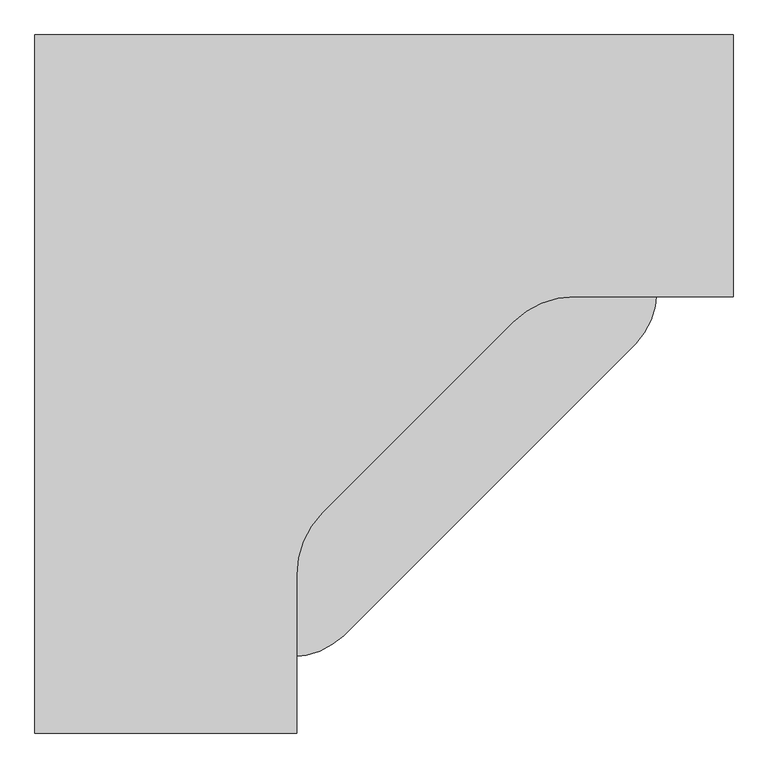
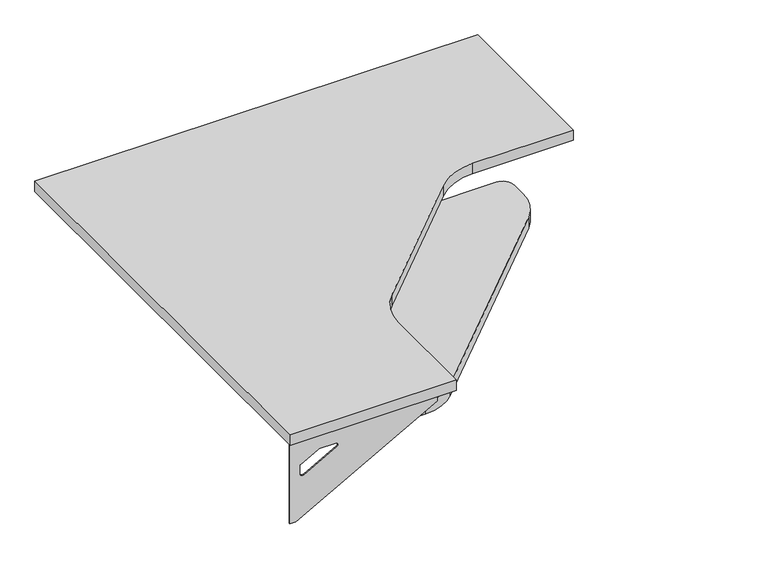
"""IFC4 building model written with IfcOpenShell, lengths in millimetres: furniture geometry."""

import ifcopenshell
import ifcopenshell.guid

model = None  # the IFC model being written
_history = None  # IfcOwnerHistory: only IFC2X3 demands one
_inside = {}  # id of a spatial element -> (the spatial element, [elements in it])
_under = {}  # id of a project, library or spatial element -> (it, [spatial elements below it])
_declared = {}  # id of a project -> (the project, [libraries it declares])
_typed = {}  # id of a type object -> (the type object, [elements of that type])
_made_of = {}  # id of a material, layer set ... -> (it, [elements and type objects made of it])


def new_model(schema):
    """Start an empty IFC model of exactly this schema.

    Asked for "IFC4X3", IfcOpenShell would pick the latest addendum, in which some entities
    have other attributes; the version numbers below select the first issue.
    IFC2X3 requires an IfcOwnerHistory on every rooted entity: one is made here for all.
    """
    global model, _history
    if schema == "IFC4X3":
        model = ifcopenshell.file(schema_version=(4, 3, 0, 0))
    else:
        model = ifcopenshell.file(schema=schema)
    _inside.clear()
    _under.clear()
    _declared.clear()
    _typed.clear()
    _made_of.clear()
    _history = None
    if model.schema == "IFC2X3":
        org = make("IfcOrganization", Name="unknown")
        user = make(
            "IfcPersonAndOrganization",
            ThePerson=make("IfcPerson", FamilyName="unknown"),
            TheOrganization=org,
        )
        app = make(
            "IfcApplication",
            ApplicationDeveloper=org,
            Version="unknown",
            ApplicationFullName="unknown",
            ApplicationIdentifier="unknown",
        )
        _history = make(
            "IfcOwnerHistory",
            OwningUser=user,
            OwningApplication=app,
            ChangeAction="ADDED",
            CreationDate=0,
        )
    return model


def make(cls, **values):
    """One entity of the class cls with the attributes given. An attribute that is None is left unset."""
    return model.create_entity(
        cls, **{name: value for name, value in values.items() if value is not None}
    )


def rooted(cls, **values):
    """An entity with a GlobalId (a new one), such as an element, a storey or a relation."""
    return make(cls, GlobalId=ifcopenshell.guid.new(), OwnerHistory=_history, **values)


def si_unit(unit_type, name, prefix=None):
    """IfcSIUnit, for example si_unit("LENGTHUNIT", "METRE", prefix="MILLI")."""
    return make("IfcSIUnit", UnitType=unit_type, Prefix=prefix, Name=name)


def assignment(units):
    """IfcUnitAssignment: the units of a project."""
    return None if units is None else make("IfcUnitAssignment", Units=units)


def point(xyz):
    """IfcCartesianPoint."""
    return None if xyz is None else make("IfcCartesianPoint", Coordinates=xyz)


def direction(xyz):
    """IfcDirection."""
    return None if xyz is None else make("IfcDirection", DirectionRatios=xyz)


def frame(location, z_axis=None, x_axis=None):
    """IfcAxis2Placement3D, a coordinate frame: its origin and axes. An axis left out is left unset."""
    return make(
        "IfcAxis2Placement3D",
        Location=point(location),
        Axis=direction(z_axis),
        RefDirection=direction(x_axis),
    )


def frame_2d(location, x_axis=None):
    """IfcAxis2Placement2D, a coordinate frame in the plane: its origin and x axis."""
    return make(
        "IfcAxis2Placement2D", Location=point(location), RefDirection=direction(x_axis)
    )


def origin():
    """The frame at (0, 0, 0) with its axes left unset."""
    return frame((0.0, 0.0, 0.0))


def place(relative_to, where):
    """IfcLocalPlacement: puts the frame where relative to a parent placement (None: the world)."""
    return make(
        "IfcLocalPlacement", PlacementRelTo=relative_to, RelativePlacement=where
    )


def context(
    kind, dimensions, precision=None, world=None, true_north=None, identifier=None
):
    """IfcGeometricRepresentationContext, for example the 3D "Model" context."""
    return make(
        "IfcGeometricRepresentationContext",
        ContextIdentifier=identifier,
        ContextType=kind,
        CoordinateSpaceDimension=dimensions,
        Precision=precision,
        WorldCoordinateSystem=world,
        TrueNorth=true_north,
    )


def project(units=None, contexts=None):
    """IfcProject with its units and contexts."""
    return rooted(
        "IfcProject",
        Name="project",
        RepresentationContexts=contexts,
        UnitsInContext=assignment(units),
    )


def spatial(cls, under=None, at=None, **own):
    """A site, building, storey or space (cls), placed at a placement, below another one or the project."""
    s = rooted(cls, ObjectPlacement=at, **own)
    if under is not None:
        _under.setdefault(under.id(), (under, []))[1].append(s)
    return s


def polyline(points):
    """IfcPolyline through the points."""
    return make("IfcPolyline", Points=[point(p) for p in points])


def circle_curve(where, radius):
    """IfcCircle in the frame where."""
    return make("IfcCircle", Position=where, Radius=radius)


def trimmed(basis, trim1, trim2, sense, master):
    """IfcTrimmedCurve: the piece of a basis curve between two trims."""
    return make(
        "IfcTrimmedCurve",
        BasisCurve=basis,
        Trim1=trim1,
        Trim2=trim2,
        SenseAgreement=sense,
        MasterRepresentation=master,
    )


def segment(curve, same_sense, transition):
    """IfcCompositeCurveSegment."""
    return make(
        "IfcCompositeCurveSegment",
        Transition=transition,
        SameSense=same_sense,
        ParentCurve=curve,
    )


def composite_curve(segments, self_intersect=None):
    """IfcCompositeCurve: segments joined end to end."""
    return make("IfcCompositeCurve", Segments=segments, SelfIntersect=self_intersect)


def outline(outer, holes=None, kind="AREA"):
    """IfcArbitraryClosedProfileDef: a profile drawn as a closed curve; with holes, ...WithVoids."""
    if holes is None:
        return make("IfcArbitraryClosedProfileDef", ProfileType=kind, OuterCurve=outer)
    return make(
        "IfcArbitraryProfileDefWithVoids",
        ProfileType=kind,
        OuterCurve=outer,
        InnerCurves=holes,
    )


def extrude(swept, where, along, depth):
    """IfcExtrudedAreaSolid: the profile swept, set in the frame where, extruded along a direction by depth."""
    return make(
        "IfcExtrudedAreaSolid",
        SweptArea=swept,
        Position=where,
        ExtrudedDirection=direction(along),
        Depth=depth,
    )


def shape(context_of_items, identifier, shape_type, items):
    """IfcShapeRepresentation: the items that make up one representation, for example the "Body"."""
    return make(
        "IfcShapeRepresentation",
        ContextOfItems=context_of_items,
        RepresentationIdentifier=identifier,
        RepresentationType=shape_type,
        Items=items,
    )


def source(mapping_origin, context_of_items, identifier, shape_type, items):
    """IfcRepresentationMap: a shape defined once, which mapped items show again and again."""
    return make(
        "IfcRepresentationMap",
        MappingOrigin=mapping_origin,
        MappedRepresentation=shape(context_of_items, identifier, shape_type, items),
    )


def transform(
    local_origin,
    x_axis=None,
    y_axis=None,
    z_axis=None,
    scale=None,
    scale2=None,
    scale3=None,
    uniform=True,
):
    """IfcCartesianTransformationOperator3D, or its non-uniform kind. x_axis, y_axis, z_axis: its Axis1, 2, 3."""
    if uniform:
        return make(
            "IfcCartesianTransformationOperator3D",
            Axis1=direction(x_axis),
            Axis2=direction(y_axis),
            LocalOrigin=point(local_origin),
            Scale=scale,
            Axis3=direction(z_axis),
        )
    return make(
        "IfcCartesianTransformationOperator3DnonUniform",
        Axis1=direction(x_axis),
        Axis2=direction(y_axis),
        LocalOrigin=point(local_origin),
        Scale=scale,
        Axis3=direction(z_axis),
        Scale2=scale2,
        Scale3=scale3,
    )


def mapped(mapping_source, mapping_target):
    """IfcMappedItem: shows the shape of a source again, moved by a transform."""
    return make(
        "IfcMappedItem", MappingSource=mapping_source, MappingTarget=mapping_target
    )


def made_of(thing, what):
    """Note that an element or type object is made of a material, layer set ...; save() writes the relation."""
    if what is not None:
        _made_of.setdefault(what.id(), (what, []))[1].append(thing)
    return thing


def element(
    cls,
    number,
    at=None,
    inside=None,
    cuts=None,
    type_object=None,
    material=None,
    context=None,
    identifier="Body",
    shape_type=None,
    held_by="IfcProductDefinitionShape",
    body=None,
    shapes=None,
    **own,
):
    """One element of the class cls, such as IfcWall. Its Tag is "e" and its number.

    at: its placement. inside: the storey or other place that contains it. cuts: it is an
    opening in that element (IfcRelVoidsElement). A single representation is given by context,
    identifier, shape_type and body (its items); several are given by shapes. held_by: the class
    of the entity that holds the representations. save() writes the other relations.
    """
    e = rooted(cls, Tag="e%d" % number, ObjectPlacement=at, **own)
    if body is not None:
        shapes = [shape(context, identifier, shape_type, body)]
    if shapes is not None:
        e.Representation = make(held_by, Representations=shapes)
    if inside is not None:
        _inside.setdefault(inside.id(), (inside, []))[1].append(e)
    if cuts is not None:
        rooted(
            "IfcRelVoidsElement", RelatingBuildingElement=cuts, RelatedOpeningElement=e
        )
    if type_object is not None:
        _typed.setdefault(type_object.id(), (type_object, []))[1].append(e)
    return made_of(e, material)


def aggregate(whole, parts):
    """IfcRelAggregates: a whole, such as a stair, and the parts it consists of."""
    return rooted("IfcRelAggregates", RelatingObject=whole, RelatedObjects=parts)


def save(model, path):
    """Write the relations noted so far, then the file.

    IfcRelAggregates (storeys below a building ...), IfcRelContainedInSpatialStructure (elements
    in a storey), IfcRelDefinesByType, IfcRelAssociatesMaterial and IfcRelDeclares: one each for
    every whole, place, type object, material and project.
    """
    for whole, parts in _under.values():
        aggregate(whole, parts)
    for where, things in _inside.values():
        rooted(
            "IfcRelContainedInSpatialStructure",
            RelatedElements=things,
            RelatingStructure=where,
        )
    for kind, things in _typed.values():
        rooted("IfcRelDefinesByType", RelatedObjects=things, RelatingType=kind)
    for what, things in _made_of.values():
        rooted("IfcRelAssociatesMaterial", RelatedObjects=things, RelatingMaterial=what)
    for by, libraries in _declared.values():
        rooted("IfcRelDeclares", RelatingContext=by, RelatedDefinitions=libraries)
    model.write(path)


def plane_surface(at):
    """IfcPlane: the flat surface through the origin of the frame at, square to its z axis."""
    return make("IfcPlane", Position=at)


def revolved_surface(curve, axis_point, axis_direction):
    """IfcSurfaceOfRevolution: the curve turned about the line through axis_point along axis_direction."""
    return make(
        "IfcSurfaceOfRevolution",
        SweptCurve=make("IfcArbitraryOpenProfileDef", ProfileType="CURVE", Curve=curve),
        AxisPosition=make("IfcAxis1Placement", Location=point(axis_point), Axis=direction(axis_direction)),
    )


def advanced_brep(points, edges, surfaces, faces):
    """IfcAdvancedBrep: a solid bounded by faces that lie on surfaces and meet in shared edges.

    An edge is (start, end): straight between two places in points (the first is 0);
    or (start, end, curve); or (start, end, curve, False) where it runs against its curve.
    A face is (place in surfaces, loops), or (place, loops, False) where it looks against
    its surface's normal. A loop lists edges by number (the first is 1), with a minus sign
    where the edge is run from its end to its start. The first loop is the outer one.
    """
    corners = [point(p) for p in points]
    vertices = [make("IfcVertexPoint", VertexGeometry=c) for c in corners]
    made = []
    for start, end, *more in edges:
        made.append(
            make(
                "IfcEdgeCurve",
                EdgeStart=vertices[start],
                EdgeEnd=vertices[end],
                EdgeGeometry=more[0] if more else make("IfcPolyline", Points=[corners[start], corners[end]]),
                SameSense=more[1] if len(more) > 1 else True,
            )
        )
    hull = []
    for where, loops, *sense in faces:
        bounds = []
        for j, loop in enumerate(loops):
            ring = [make("IfcOrientedEdge", EdgeElement=made[abs(k) - 1], Orientation=k > 0) for k in loop]
            bounds.append(
                make(
                    "IfcFaceOuterBound" if j == 0 else "IfcFaceBound",
                    Bound=make("IfcEdgeLoop", EdgeList=ring),
                    Orientation=True,
                )
            )
        hull.append(make("IfcAdvancedFace", Bounds=bounds, FaceSurface=surfaces[where], SameSense=sense[0] if sense else True))
    return make("IfcAdvancedBrep", Outer=make("IfcClosedShell", CfsFaces=hull))


def furniture_15177710(model_context):
    return source(origin(), model_context, "Body", "SolidModel", [
        advanced_brep(
        [(604.04375, 76.2, 475.45625), (604.04375, 60.325, 475.45625), (604.04375, -330.2, 691.7192568), (604.04375, -330.2, 704.05625), (604.04375, 60.325, 704.05625), (604.04375, 76.2, 704.05625), (604.04375, -7.109928, 665.95625), (604.04375, -50.7644716, 665.95625), (604.04375, -53.4435765, 656.3705539), (604.04375, 38.2776173, 605.5776439), (604.04375, 47.625, 611.1756969), (604.04375, 47.625, 634.6860246), (604.04375, 45.8730055, 637.5242776), (604.04375, -4.0336563, 665.1613425), (606.425, 76.2, 475.45625), (606.425, 76.2, 704.05625), (606.425, 60.325, 704.05625), (606.425, 60.325, 706.4375), (606.425, -330.2, 706.4375), (606.425, -330.2, 691.7192568), (606.425, 60.325, 475.45625), (606.425, -7.109928, 665.95625), (606.425, -4.0336563, 665.1613425), (606.425, 45.8730055, 637.5242776), (606.425, 47.625, 634.6860246), (606.425, 47.625, 611.1756969), (606.425, 38.2776173, 605.5776439), (606.425, -53.4435765, 656.3705539), (606.425, -50.7644716, 665.95625), (565.15, -330.2, 706.4375), (565.15, -330.2, 704.05625), (565.15, 60.325, 704.05625), (565.15, 60.325, 706.4375)],
        [
            (0, 1),
            (1, 2),
            (2, 3),
            (3, 4),
            (4, 5),
            (5, 0),
            (6, 7),
            (7, 8, circle_curve(frame((604.04375, -50.7644716, 660.7890106), z_axis=(1.0, 0.0, 0.0), x_axis=(0.0, -1.0, 0.0)), 5.1672394)),
            (8, 9),
            (9, 10, circle_curve(frame((604.04375, 41.275, 611.1756969), z_axis=(1.0, 0.0, 0.0), x_axis=(0.0, -1.0, 0.0)), 6.35)),
            (10, 11),
            (11, 12, circle_curve(frame((604.04375, 44.45, 634.6860246), z_axis=(1.0, 0.0, 0.0), x_axis=(0.0, -1.0, 0.0)), 3.175)),
            (12, 13),
            (13, 6, circle_curve(frame((604.04375, -7.109928, 659.60625), z_axis=(1.0, 0.0, 0.0), x_axis=(0.0, -1.0, 0.0)), 6.35)),
            (14, 15),
            (15, 16),
            (16, 17),
            (17, 18),
            (18, 19),
            (19, 20),
            (20, 14),
            (21, 22, circle_curve(frame((606.425, -7.109928, 659.60625), z_axis=(-1.0, 0.0, 0.0), x_axis=(0.0, -1.0, 0.0)), 6.35)),
            (22, 23),
            (23, 24, circle_curve(frame((606.425, 44.45, 634.6860246), z_axis=(-1.0, 0.0, 0.0), x_axis=(0.0, -1.0, 0.0)), 3.175)),
            (24, 25),
            (25, 26, circle_curve(frame((606.425, 41.275, 611.1756969), z_axis=(-1.0, 0.0, 0.0), x_axis=(0.0, -1.0, 0.0)), 6.35)),
            (26, 27),
            (27, 28, circle_curve(frame((606.425, -50.7644716, 660.7890106), z_axis=(-1.0, 0.0, 0.0), x_axis=(0.0, -1.0, 0.0)), 5.1672394)),
            (28, 21),
            (4, 16),
            (15, 5),
            (14, 0),
            (20, 1),
            (19, 2),
            (18, 29),
            (29, 30),
            (30, 3),
            (6, 21),
            (28, 7),
            (9, 26),
            (25, 10),
            (24, 11),
            (23, 12),
            (27, 8),
            (31, 4),
            (30, 31),
            (32, 29),
            (17, 32),
            (31, 32),
            (22, 13),
        ],
        [
            plane_surface(frame((604.04375, 76.2, 475.45625), z_axis=(-1.0, 0.0, 0.0), x_axis=(0.0, 1.0, 0.0))),
            plane_surface(frame((606.425, 76.2, 475.45625), z_axis=(1.0, 0.0, 0.0), x_axis=(0.0, -1.0, 0.0))),
            plane_surface(frame((606.425, -330.2, 704.05625), z_axis=(0.0, 0.0, 1.0), x_axis=(-1.0, 0.0, 0.0))),
            plane_surface(frame((606.425, 76.2, 704.05625), z_axis=(0.0, 1.0, 0.0), x_axis=(-1.0, 0.0, 0.0))),
            plane_surface(frame((606.425, 76.2, 475.45625), z_axis=(0.0, 0.0, -1.0), x_axis=(-1.0, 0.0, 0.0))),
            plane_surface(frame((606.425, 60.325, 475.45625), z_axis=(0.0, -0.4844522351345575, -0.8748177135112957), x_axis=(-1.0, 0.0, 0.0))),
            plane_surface(frame((606.425, -330.2, 691.7192568), z_axis=(0.0, -1.0, 0.0), x_axis=(-1.0, 0.0, 0.0))),
            plane_surface(frame((606.425, -7.109928, 665.95625), z_axis=(0.0, 0.0, -1.0), x_axis=(-1.0, 0.0, 0.0))),
            revolved_surface(polyline([(604.04375, 34.925, 611.1756969), (606.425, 34.925, 611.1756969)]), (606.425, 41.275, 611.1756969), (-1.0, 0.0, 0.0)),
            plane_surface(frame((606.425, 47.625, 611.1756969), z_axis=(0.0, -1.0, 0.0), x_axis=(-1.0, 0.0, 0.0))),
            revolved_surface(polyline([(604.04375, 41.275000000000006, 634.6860246), (606.425, 41.275000000000006, 634.6860246)]), (606.425, 44.45, 634.6860246), (-1.0, 0.0, 0.0)),
            revolved_surface(polyline([(604.04375, -55.931711, 660.7890106), (606.425, -55.931711, 660.7890106)]), (606.425, -50.7644716, 660.7890106), (-1.0, 0.0, 0.0)),
            plane_surface(frame((606.425, 60.325, 704.05625), z_axis=(0.0, 0.0, -1.0), x_axis=(-1.0, 0.0, 0.0))),
            plane_surface(frame((606.425, 60.325, 706.4375), z_axis=(0.0, 0.0, 1.0), x_axis=(1.0, 0.0, 0.0))),
            plane_surface(frame((565.15, 60.325, 706.4375), z_axis=(0.0, 1.0, 0.0), x_axis=(0.0, 0.0, -1.0))),
            plane_surface(frame((565.15, -330.2, 706.4375), z_axis=(-1.0, 0.0, 0.0), x_axis=(0.0, 0.0, -1.0))),
            plane_surface(frame((606.425, -53.4435765, 656.3705539), z_axis=(0.0, 0.4844522351341526, 0.8748177135115199), x_axis=(-1.0, 0.0, 0.0))),
            plane_surface(frame((606.425, 45.8730055, 637.5242776), z_axis=(0.0, -0.48445223513456226, -0.874817713511293), x_axis=(-1.0, 0.0, 0.0))),
            revolved_surface(polyline([(604.04375, -13.459928, 659.60625), (606.425, -13.459928, 659.60625)]), (606.425, -7.109928, 659.60625), (-1.0, 0.0, 0.0)),
        ],
        [
            (0, [[1, 2, 3, 4, 5, 6], [7, 8, 9, 10, 11, 12, 13, 14]]),
            (1, [[15, 16, 17, 18, 19, 20, 21], [22, 23, 24, 25, 26, 27, 28, 29]]),
            (2, [[-5, 30, -16, 31]]),
            (3, [[-31, -15, 32, -6]]),
            (4, [[-32, -21, 33, -1]]),
            (5, [[-33, -20, 34, -2]]),
            (6, [[-34, -19, 35, 36, 37, -3]]),
            (7, [[38, -29, 39, -7]]),
            (8, [[40, -26, 41, -10]]),
            (9, [[-41, -25, 42, -11]]),
            (10, [[-42, -24, 43, -12]]),
            (11, [[-39, -28, 44, -8]]),
            (12, [[45, -4, -37, 46]]),
            (13, [[47, -35, -18, 48]]),
            (14, [[-17, -30, -45, 49, -48]]),
            (15, [[-36, -47, -49, -46]]),
            (16, [[-44, -27, -40, -9]]),
            (17, [[-43, -23, 50, -13]]),
            (18, [[-50, -22, -38, -14]]),
        ],
    ),
        advanced_brep(
        [(-609.6, -1137.44375, 475.45625), (-609.6, -1137.44375, 704.05625), (-593.725, -1137.44375, 704.05625), (-203.2, -1137.44375, 704.05625), (-203.2, -1137.44375, 691.7192568), (-593.725, -1137.44375, 475.45625), (-526.290072, -1137.44375, 665.95625), (-529.3663437, -1137.44375, 665.1613425), (-579.2730055, -1137.44375, 637.5242776), (-581.025, -1137.44375, 634.6860246), (-581.025, -1137.44375, 611.1756969), (-571.6776173, -1137.44375, 605.5776439), (-479.9564235, -1137.44375, 656.3705539), (-482.6355284, -1137.44375, 665.95625), (-609.6, -1139.825, 475.45625), (-593.725, -1139.825, 475.45625), (-203.2, -1139.825, 691.7192568), (-203.2, -1139.825, 706.4375), (-593.725, -1139.825, 706.4375), (-593.725, -1139.825, 704.05625), (-609.6, -1139.825, 704.05625), (-526.290072, -1139.825, 665.95625), (-482.6355284, -1139.825, 665.95625), (-479.9564235, -1139.825, 656.3705539), (-571.6776173, -1139.825, 605.5776439), (-581.025, -1139.825, 611.1756969), (-581.025, -1139.825, 634.6860246), (-579.2730055, -1139.825, 637.5242776), (-529.3663437, -1139.825, 665.1613425), (-203.2, -1098.55, 704.05625), (-203.2, -1098.55, 706.4375), (-593.725, -1098.55, 704.05625), (-593.725, -1098.55, 706.4375)],
        [
            (0, 1),
            (1, 2),
            (2, 3),
            (3, 4),
            (4, 5),
            (5, 0),
            (6, 7, circle_curve(frame((-526.290072, -1137.44375, 659.60625), z_axis=(0.0, -1.0, 0.0), x_axis=(1.0, 0.0, 0.0)), 6.35)),
            (7, 8),
            (8, 9, circle_curve(frame((-577.85, -1137.44375, 634.6860246), z_axis=(0.0, -1.0, 0.0), x_axis=(1.0, 0.0, 0.0)), 3.175)),
            (9, 10),
            (10, 11, circle_curve(frame((-574.675, -1137.44375, 611.1756969), z_axis=(0.0, -1.0, 0.0), x_axis=(1.0, 0.0, 0.0)), 6.35)),
            (11, 12),
            (12, 13, circle_curve(frame((-482.6355284, -1137.44375, 660.7890106), z_axis=(0.0, -1.0, 0.0), x_axis=(1.0, 0.0, 0.0)), 5.1672394)),
            (13, 6),
            (14, 15),
            (15, 16),
            (16, 17),
            (17, 18),
            (18, 19),
            (19, 20),
            (20, 14),
            (21, 22),
            (22, 23, circle_curve(frame((-482.6355284, -1139.825, 660.7890106), z_axis=(0.0, 1.0, 0.0), x_axis=(1.0, 0.0, 0.0)), 5.1672394)),
            (23, 24),
            (24, 25, circle_curve(frame((-574.675, -1139.825, 611.1756969), z_axis=(0.0, 1.0, 0.0), x_axis=(1.0, 0.0, 0.0)), 6.35)),
            (25, 26),
            (26, 27, circle_curve(frame((-577.85, -1139.825, 634.6860246), z_axis=(0.0, 1.0, 0.0), x_axis=(1.0, 0.0, 0.0)), 3.175)),
            (27, 28),
            (28, 21, circle_curve(frame((-526.290072, -1139.825, 659.60625), z_axis=(0.0, 1.0, 0.0), x_axis=(1.0, 0.0, 0.0)), 6.35)),
            (1, 20),
            (19, 2),
            (0, 14),
            (5, 15),
            (4, 16),
            (3, 29),
            (29, 30),
            (30, 17),
            (13, 22),
            (21, 6),
            (10, 25),
            (24, 11),
            (9, 26),
            (8, 27),
            (12, 23),
            (31, 29),
            (2, 31),
            (32, 18),
            (30, 32),
            (32, 31),
            (7, 28),
        ],
        [
            plane_surface(frame((-609.6, -1137.44375, 475.45625), z_axis=(0.0, 1.0, 0.0), x_axis=(-1.0, 0.0, 0.0))),
            plane_surface(frame((-609.6, -1139.825, 475.45625), z_axis=(0.0, -1.0, 0.0), x_axis=(1.0, 0.0, 0.0))),
            plane_surface(frame((-203.2, -1139.825, 704.05625), z_axis=(0.0, 0.0, 1.0), x_axis=(0.0, 1.0, 0.0))),
            plane_surface(frame((-609.6, -1139.825, 704.05625), z_axis=(-1.0, 0.0, 0.0), x_axis=(0.0, 1.0, 0.0))),
            plane_surface(frame((-609.6, -1139.825, 475.45625), z_axis=(0.0, 0.0, -1.0), x_axis=(0.0, 1.0, 0.0))),
            plane_surface(frame((-593.725, -1139.825, 475.45625), z_axis=(0.4844522351345575, 0.0, -0.8748177135112957), x_axis=(0.0, 1.0, 0.0))),
            plane_surface(frame((-203.2, -1139.825, 691.7192568), z_axis=(1.0, 0.0, 0.0), x_axis=(0.0, 1.0, 0.0))),
            plane_surface(frame((-526.290072, -1139.825, 665.95625), z_axis=(0.0, 0.0, -1.0), x_axis=(0.0, 1.0, 0.0))),
            revolved_surface(polyline([(-568.3249999999999, -1137.44375, 611.1756969), (-568.3249999999999, -1139.825, 611.1756969)]), (-574.675, -1139.825, 611.1756969), (0.0, 1.0, 0.0)),
            plane_surface(frame((-581.025, -1139.825, 611.1756969), z_axis=(1.0, 0.0, 0.0), x_axis=(0.0, 1.0, 0.0))),
            revolved_surface(polyline([(-574.6750000000001, -1137.44375, 634.6860246), (-574.6750000000001, -1139.825, 634.6860246)]), (-577.85, -1139.825, 634.6860246), (0.0, 1.0, 0.0)),
            revolved_surface(polyline([(-477.468289, -1137.44375, 660.7890106), (-477.468289, -1139.825, 660.7890106)]), (-482.6355284, -1139.825, 660.7890106), (0.0, 1.0, 0.0)),
            plane_surface(frame((-593.725, -1139.825, 704.05625), z_axis=(0.0, 0.0, -1.0), x_axis=(0.0, 1.0, 0.0))),
            plane_surface(frame((-593.725, -1139.825, 706.4375), z_axis=(0.0, 0.0, 1.0), x_axis=(0.0, -1.0, 0.0))),
            plane_surface(frame((-593.725, -1098.55, 706.4375), z_axis=(-1.0, 0.0, 0.0), x_axis=(0.0, 0.0, -1.0))),
            plane_surface(frame((-203.2, -1098.55, 706.4375), z_axis=(0.0, 1.0, 0.0), x_axis=(0.0, 0.0, -1.0))),
            plane_surface(frame((-479.9564235, -1139.825, 656.3705539), z_axis=(-0.4844522351341526, 0.0, 0.8748177135115199), x_axis=(0.0, 1.0, 0.0))),
            plane_surface(frame((-579.2730055, -1139.825, 637.5242776), z_axis=(0.48445223513456226, 0.0, -0.874817713511293), x_axis=(0.0, 1.0, 0.0))),
            revolved_surface(polyline([(-519.940072, -1137.44375, 659.60625), (-519.940072, -1139.825, 659.60625)]), (-526.290072, -1139.825, 659.60625), (0.0, 1.0, 0.0)),
        ],
        [
            (0, [[1, 2, 3, 4, 5, 6], [7, 8, 9, 10, 11, 12, 13, 14]]),
            (1, [[15, 16, 17, 18, 19, 20, 21], [22, 23, 24, 25, 26, 27, 28, 29]]),
            (2, [[30, -20, 31, -2]]),
            (3, [[-1, 32, -21, -30]]),
            (4, [[-6, 33, -15, -32]]),
            (5, [[-5, 34, -16, -33]]),
            (6, [[-4, 35, 36, 37, -17, -34]]),
            (7, [[-14, 38, -22, 39]]),
            (8, [[-11, 40, -25, 41]]),
            (9, [[-10, 42, -26, -40]]),
            (10, [[-9, 43, -27, -42]]),
            (11, [[-13, 44, -23, -38]]),
            (12, [[45, -35, -3, 46]]),
            (13, [[47, -18, -37, 48]]),
            (14, [[-47, 49, -46, -31, -19]]),
            (15, [[-45, -49, -48, -36]]),
            (16, [[-12, -41, -24, -44]]),
            (17, [[-8, 50, -28, -43]]),
            (18, [[-7, -39, -29, -50]]),
        ],
    ),
        extrude(outline(composite_curve([segment(trimmed(circle_curve(frame_2d((0.0, -13.2824353)), 13.2824353), [point((-10.2953975, -4.8903034))], [point((6.8042309, -1.8751775))], False, "CARTESIAN"), True, "CONTINUOUS"), segment(polyline([(6.8042309, -1.8751775), (54.1837282, -33.833052)]), True, "CONTINUOUS"), segment(trimmed(circle_curve(frame_2d((28.5617636, -71.8191765)), 45.8195452), [point((54.1837282, -33.833052))], [point((73.0202725, -60.7344253))], False, "CARTESIAN"), True, "CONTINUOUS"), segment(trimmed(circle_curve(frame_2d((140.1108485, -21.2563041)), 77.8438658), [point((73.0202725, -60.7344253))], [point((120.6547117, -96.6295498))], True, "CARTESIAN"), True, "CONTINUOUS"), segment(polyline([(120.6547117, -96.6295498), (233.5111248, -125.4967882)]), True, "CONTINUOUS"), segment(trimmed(circle_curve(frame_2d((222.1802498, -184.1552318)), 59.7427965), [point((233.5111248, -125.4967882))], [point((269.3277759, -220.8473633))], False, "CARTESIAN"), True, "CONTINUOUS"), segment(polyline([(269.3277759, -220.8473633), (140.5599983, -363.8584685)]), True, "CONTINUOUS"), segment(trimmed(circle_curve(frame_2d((131.2298424, -355.4575584)), 12.5549632), [point((140.5599983, -363.8584685))], [point((120.1444679, -349.5633603))], False, "CARTESIAN"), True, "CONTINUOUS"), segment(polyline([(120.1444679, -349.5633603), (210.6386722, -189.768942)]), True, "CONTINUOUS"), segment(trimmed(circle_curve(frame_2d((200.9627975, -183.9550899)), 11.2881986), [point((210.6386722, -189.768942))], [point((204.6378755, -173.2818885))], True, "CARTESIAN"), True, "CONTINUOUS"), segment(polyline([(204.6378755, -173.2818885), (13.7445813, -117.9895116)]), True, "CONTINUOUS"), segment(trimmed(circle_curve(frame_2d((47.2165764, -51.7702877)), 74.1981136), [point((13.7445813, -117.9895116))], [point((-10.2953975, -4.8903034))], False, "CARTESIAN"), True, "CONTINUOUS")], self_intersect=False)), frame((45.4014505, -129.7886445, 678.0415334), z_axis=(0.7071067811865493, 0.7071067811865458, 0.0), x_axis=(0.0, 0.0, -1.0)), (0.0, 0.0, 1.0), 12.7),
        extrude(outline(composite_curve([segment(trimmed(circle_curve(frame_2d((-47.2165764, -35.7102613)), 13.2824353), [point((-57.5119739, -27.3181293))], [point((-40.4123455, -24.3030035))], False, "CARTESIAN"), True, "CONTINUOUS"), segment(polyline([(-40.4123455, -24.3030035), (6.9671518, -56.2608779)]), True, "CONTINUOUS"), segment(trimmed(circle_curve(frame_2d((-18.6548128, -94.2470025)), 45.8195452), [point((6.9671518, -56.2608779))], [point((25.8036961, -83.1622513))], False, "CARTESIAN"), True, "CONTINUOUS"), segment(trimmed(circle_curve(frame_2d((92.8942721, -43.6841301)), 77.8438658), [point((25.8036961, -83.1622513))], [point((73.4381353, -119.0573758))], True, "CARTESIAN"), True, "CONTINUOUS"), segment(polyline([(73.4381353, -119.0573758), (186.2945484, -147.9246142)]), True, "CONTINUOUS"), segment(trimmed(circle_curve(frame_2d((174.9636734, -206.5830577)), 59.7427965), [point((186.2945484, -147.9246142))], [point((222.1111995, -243.2751894))], False, "CARTESIAN"), True, "CONTINUOUS"), segment(polyline([(222.1111995, -243.2751894), (93.3434219, -386.2862946)]), True, "CONTINUOUS"), segment(trimmed(circle_curve(frame_2d((84.013266, -377.8853844)), 12.5549632), [point((93.3434219, -386.2862946))], [point((72.9278915, -371.9911862))], False, "CARTESIAN"), True, "CONTINUOUS"), segment(polyline([(72.9278915, -371.9911862), (163.4220958, -212.196768)]), True, "CONTINUOUS"), segment(trimmed(circle_curve(frame_2d((153.7462211, -206.382916)), 11.2881986), [point((163.4220958, -212.196768))], [point((157.4212991, -195.7097145))], True, "CARTESIAN"), True, "CONTINUOUS"), segment(polyline([(157.4212991, -195.7097145), (-33.4719951, -140.4173376)]), True, "CONTINUOUS"), segment(trimmed(circle_curve(frame_2d((0.0, -74.1981136)), 74.1981136), [point((-33.4719951, -140.4173376))], [point((-57.5119739, -27.3181293))], False, "CARTESIAN"), True, "CONTINUOUS")], self_intersect=False)), frame((-428.4504795, -571.9228388, 630.824957), z_axis=(0.7071067811865492, 0.7071067811865458, 0.0), x_axis=(0.0, 0.0, -1.0)), (0.0, 0.0, 1.0), 12.7),
        extrude(outline(composite_curve([segment(polyline([(-160.368191, -1009.836908), (-202.910614, -1009.836908)]), True, "CONTINUOUS"), segment(trimmed(circle_curve(frame_2d((-202.910614, -977.9854703)), 31.8514377), [point((-202.910614, -1009.836908))], [point((-234.7620517, -977.9854703))], False, "CARTESIAN"), True, "CONTINUOUS"), segment(polyline([(-234.7620517, -977.9854703), (-234.7620517, -768.4354703)]), True, "CONTINUOUS"), segment(trimmed(circle_curve(frame_2d((-83.5046219, -768.4354703)), 151.2574298), [point((-234.7620517, -768.4354703))], [point((-190.1261493, -661.1477264))], False, "CARTESIAN"), True, "CONTINUOUS"), segment(polyline([(-190.1261493, -661.1477264), (127.7477264, -343.2738507)]), True, "CONTINUOUS"), segment(trimmed(circle_curve(frame_2d((235.0354703, -449.8953781)), 151.2574298), [point((127.7477264, -343.2738507))], [point((235.0354703, -298.6379483))], False, "CARTESIAN"), True, "CONTINUOUS"), segment(polyline([(235.0354703, -298.6379483), (444.5854703, -298.6379483)]), True, "CONTINUOUS"), segment(trimmed(circle_curve(frame_2d((444.5854703, -330.489386)), 31.8514377), [point((444.5854703, -298.6379483))], [point((476.436908, -330.489386))], False, "CARTESIAN"), True, "CONTINUOUS"), segment(polyline([(476.436908, -330.489386), (476.436908, -373.031809)]), True, "CONTINUOUS"), segment(trimmed(circle_curve(frame_2d((345.6833966, -371.4770414)), 130.7627547), [point((476.436908, -373.031809))], [point((439.2394691, -462.8343581))], False, "CARTESIAN"), True, "CONTINUOUS"), segment(polyline([(439.2394691, -462.8343581), (-70.5656419, -972.6394691)]), True, "CONTINUOUS"), segment(trimmed(circle_curve(frame_2d((-161.9229586, -879.0833966)), 130.7627547), [point((-70.5656419, -972.6394691))], [point((-160.368191, -1009.836908))], False, "CARTESIAN"), True, "CONTINUOUS")], self_intersect=False)), frame((0.0, 0.0, 560.134124), z_axis=(0.0, 0.0, 1.0), x_axis=(1.0, 0.0, 0.0)), (0.0, 0.0, 1.0), 31.7500606),
        extrude(outline(composite_curve([segment(polyline([(-609.6, 76.2), (609.6, 76.2), (609.6, -381.0), (332.7528131, -381.0)]), True, "CONTINUOUS"), segment(trimmed(circle_curve(frame_2d((332.7528131, -533.3999779)), 152.3999779), [point((332.7528131, -381.0))], [point((224.9897552, -425.6369201))], True, "CARTESIAN"), True, "CONTINUOUS"), segment(polyline([(224.9897552, -425.6369201), (-107.7630889, -758.3897642)]), True, "CONTINUOUS"), segment(trimmed(circle_curve(frame_2d((-5.28e-05, -866.1528004)), 152.3999472), [point((-107.7630889, -758.3897642))], [point((-152.4, -866.1528004))], True, "CARTESIAN"), True, "CONTINUOUS"), segment(polyline([(-152.4, -866.1528004), (-152.4, -1143.0), (-609.6, -1143.0), (-609.6, 76.2)]), True, "CONTINUOUS")], self_intersect=False)), frame((0.0, 0.0, 706.4375), z_axis=(0.0, 0.0, 1.0), x_axis=(1.0, 0.0, 0.0)), (0.0, 0.0, 1.0), 30.1625),
    ])


if __name__ == "__main__":
    model = new_model("IFC4")
    model_context = context("Model", 3, world=origin())
    ifc_project = project(units=[si_unit("LENGTHUNIT", "METRE", prefix="MILLI")], contexts=[model_context])
    site = spatial("IfcSite", under=ifc_project)
    building = spatial("IfcBuilding", under=site)
    placement = place(None, origin())
    furniture_shape = furniture_15177710(model_context)
    element("IfcFurniture", 1, at=placement, inside=building, context=model_context, shape_type="MappedRepresentation", body=[
        mapped(furniture_shape, transform((0.0, 0.0, 0.0), x_axis=(1.0, 0.0, 0.0), y_axis=(0.0, 1.0, 0.0), z_axis=(0.0, 0.0, 1.0))),
    ])
    save(model, "model.ifc")
